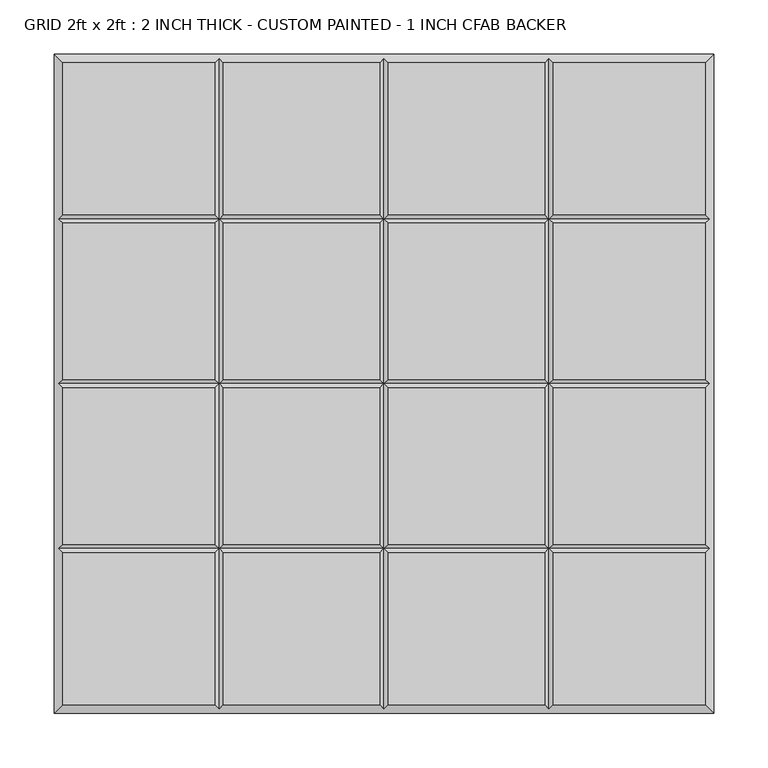
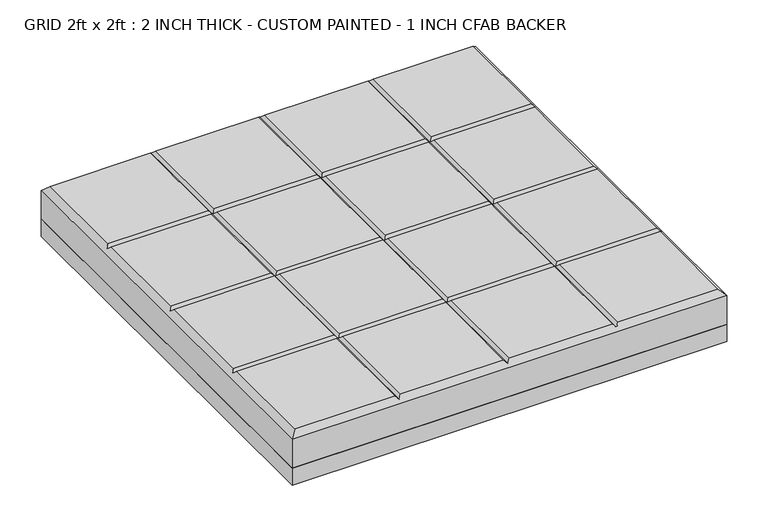
"""IFC4 building model written with IfcOpenShell, lengths in millimetres: proxy geometry, GRID 2ft x 2ft : 2 INCH THICK - CUSTOM PAINTED - 1 INCH CFAB BACKER."""

from ifc_helpers import new_model, si_unit, frame, origin, place, context, project, spatial, polyline, outline, extrude, faceted_brep, source, transform, mapped, element, save


def grid_2ft_x_2ft_2_inch_thick_custom_painted_1_inch_cfab_a68efc83(model_context):
    return source(origin(), model_context, "Body", "SolidModel", [
        extrude(outline(polyline([(-304.8, 304.8), (304.8, 304.8), (304.8, -304.8), (-304.8, -304.8), (-304.8, 304.8)])), frame((0.0, 0.0, -25.4), z_axis=(0.0, 0.0, 1.0), x_axis=(1.0, 0.0, 0.0)), (0.0, 0.0, 1.0), 25.4),
        faceted_brep([(-156.4009826, 296.799, 50.8), (-296.799, 296.799, 50.8), (-296.799, 156.4005254, 50.8), (-156.4009826, 156.4005254, 50.8), (-296.799, -296.799, 50.8), (-156.4009826, -296.799, 50.8), (-156.4009826, -156.4004746, 50.8), (-296.799, -156.4004746, 50.8), (-4.0004746, 296.799, 50.8), (-148.3999826, 296.799, 50.8), (-148.3999826, 156.4005254, 50.8), (-4.0004746, 156.4005254, 50.8), (-148.3999826, -296.799, 50.8), (-4.0004746, -296.799, 50.8), (-4.0004746, -156.4004746, 50.8), (-148.3999826, -156.4004746, 50.8), (296.799, 296.799, 50.8), (156.4010334, 296.799, 50.8), (156.4010334, 156.4005254, 50.8), (296.799, 156.4005254, 50.8), (148.4000334, 296.799, 50.8), (4.0005254, 296.799, 50.8), (4.0005254, 156.4005254, 50.8), (148.4000334, 156.4005254, 50.8), (156.4010334, -296.799, 50.8), (296.799, -296.799, 50.8), (296.799, -156.4004746, 50.8), (156.4010334, -156.4004746, 50.8), (4.0005254, -296.799, 50.8), (148.4000334, -296.799, 50.8), (148.4000334, -156.4004746, 50.8), (4.0005254, -156.4004746, 50.8), (-156.4009826, 148.3995254, 50.8), (-296.799, 148.3995254, 50.8), (-296.799, 4.0005254, 50.8), (-156.4009826, 4.0005254, 50.8), (296.799, 148.3995254, 50.8), (156.4010334, 148.3995254, 50.8), (156.4010334, 4.0005254, 50.8), (296.799, 4.0005254, 50.8), (-4.0004746, 148.3995254, 50.8), (-148.3999826, 148.3995254, 50.8), (-148.3999826, 4.0005254, 50.8), (-4.0004746, 4.0005254, 50.8), (148.4000334, 148.3995254, 50.8), (4.0005254, 148.3995254, 50.8), (4.0005254, 4.0005254, 50.8), (148.4000334, 4.0005254, 50.8), (-296.799, -148.3994746, 50.8), (-156.4009826, -148.3994746, 50.8), (-156.4009826, -4.0004746, 50.8), (-296.799, -4.0004746, 50.8), (-148.3999826, -148.3994746, 50.8), (-4.0004746, -148.3994746, 50.8), (-4.0004746, -4.0004746, 50.8), (-148.3999826, -4.0004746, 50.8), (156.4010334, -148.3994746, 50.8), (296.799, -148.3994746, 50.8), (296.799, -4.0004746, 50.8), (156.4010334, -4.0004746, 50.8), (4.0005254, -148.3994746, 50.8), (148.4000334, -148.3994746, 50.8), (148.4000334, -4.0004746, 50.8), (4.0005254, -4.0004746, 50.8), (-304.8, 304.8, 0.0), (304.8, 304.8, 0.0), (304.8, -304.8, 0.0), (-304.8, -304.8, 0.0), (-304.8, -304.8, 42.799), (-304.8, 304.8, 42.799), (304.8, -304.8, 42.799), (304.8, 304.8, 42.799), (-152.4004826, 300.7995, 46.7995), (2.54e-05, 300.7995, 46.7995), (152.4005334, 300.7995, 46.7995), (-300.7995, -152.3999746, 46.7995), (-300.7995, 2.54e-05, 46.7995), (-300.7995, 152.4000254, 46.7995), (152.4005334, -300.7995, 46.7995), (2.54e-05, -300.7995, 46.7995), (-152.4004826, -300.7995, 46.7995), (300.7995, 152.4000254, 46.7995), (300.7995, 2.54e-05, 46.7995), (300.7995, -152.3999746, 46.7995), (-152.4004826, 152.4000254, 46.7995), (-152.4004826, -152.3999746, 46.7995), (-152.4004826, 2.54e-05, 46.7995), (2.54e-05, 152.4000254, 46.7995), (2.54e-05, -152.3999746, 46.7995), (2.54e-05, 2.54e-05, 46.7995), (152.4005334, 152.4000254, 46.7995), (152.4005334, -152.3999746, 46.7995), (152.4005334, 2.54e-05, 46.7995)], [[[0, 1, 2, 3]], [[4, 5, 6, 7]], [[8, 9, 10, 11]], [[12, 13, 14, 15]], [[16, 17, 18, 19]], [[20, 21, 22, 23]], [[24, 25, 26, 27]], [[28, 29, 30, 31]], [[32, 33, 34, 35]], [[36, 37, 38, 39]], [[40, 41, 42, 43]], [[44, 45, 46, 47]], [[48, 49, 50, 51]], [[52, 53, 54, 55]], [[56, 57, 58, 59]], [[60, 61, 62, 63]], [[64, 65, 66, 67]], [[64, 67, 68, 69]], [[67, 66, 70, 68]], [[66, 65, 71, 70]], [[65, 64, 69, 71]], [[69, 1, 0, 72, 9, 8, 73, 21, 20, 74, 17, 16, 71]], [[1, 69, 68, 4, 7, 75, 48, 51, 76, 34, 33, 77, 2]], [[4, 68, 70, 25, 24, 78, 29, 28, 79, 13, 12, 80, 5]], [[71, 16, 19, 81, 36, 39, 82, 58, 57, 83, 26, 25, 70]], [[9, 72, 84, 10]], [[80, 12, 15, 85]], [[41, 84, 86, 42]], [[85, 52, 55, 86]], [[72, 0, 3, 84]], [[5, 80, 85, 6]], [[84, 32, 35, 86]], [[49, 85, 86, 50]], [[21, 73, 87, 22]], [[79, 28, 31, 88]], [[45, 87, 89, 46]], [[88, 60, 63, 89]], [[73, 8, 11, 87]], [[13, 79, 88, 14]], [[87, 40, 43, 89]], [[53, 88, 89, 54]], [[17, 74, 90, 18]], [[78, 24, 27, 91]], [[37, 90, 92, 38]], [[91, 56, 59, 92]], [[74, 20, 23, 90]], [[29, 78, 91, 30]], [[90, 44, 47, 92]], [[61, 91, 92, 62]], [[87, 84, 41, 40]], [[90, 87, 45, 44]], [[84, 77, 33, 32]], [[81, 90, 37, 36]], [[84, 87, 11, 10]], [[87, 90, 23, 22]], [[77, 84, 3, 2]], [[90, 81, 19, 18]], [[88, 85, 15, 14]], [[91, 88, 31, 30]], [[85, 75, 7, 6]], [[83, 91, 27, 26]], [[85, 88, 53, 52]], [[88, 91, 61, 60]], [[75, 85, 49, 48]], [[91, 83, 57, 56]], [[89, 86, 55, 54]], [[92, 89, 63, 62]], [[86, 76, 51, 50]], [[82, 92, 59, 58]], [[86, 89, 43, 42]], [[89, 92, 47, 46]], [[76, 86, 35, 34]], [[92, 82, 39, 38]]]),
    ])


if __name__ == "__main__":
    model = new_model("IFC4")
    model_context = context("Model", 3, world=origin())
    ifc_project = project(units=[si_unit("LENGTHUNIT", "METRE", prefix="MILLI")], contexts=[model_context])
    site = spatial("IfcSite", under=ifc_project)
    building = spatial("IfcBuilding", under=site)
    placement = place(None, origin())
    grid_2ft_x_2ft_2_inch_thick_custom_painted_1_inch_cfab_shape = grid_2ft_x_2ft_2_inch_thick_custom_painted_1_inch_cfab_a68efc83(model_context)
    element("IfcBuildingElementProxy", 1, Name="GRID 2ft x 2ft : 2 INCH THICK - CUSTOM PAINTED - 1 INCH CFAB BACKER", ObjectType="GRID 2ft x 2ft : 2 INCH THICK - CUSTOM PAINTED - 1 INCH CFAB BACKER", at=placement, inside=building, context=model_context, shape_type="MappedRepresentation", body=[
        mapped(grid_2ft_x_2ft_2_inch_thick_custom_painted_1_inch_cfab_shape, transform((0.0, 0.0, 0.0), x_axis=(1.0, 0.0, 0.0), y_axis=(0.0, 1.0, 0.0), z_axis=(0.0, 0.0, 1.0))),
    ])
    save(model, "model.ifc")
